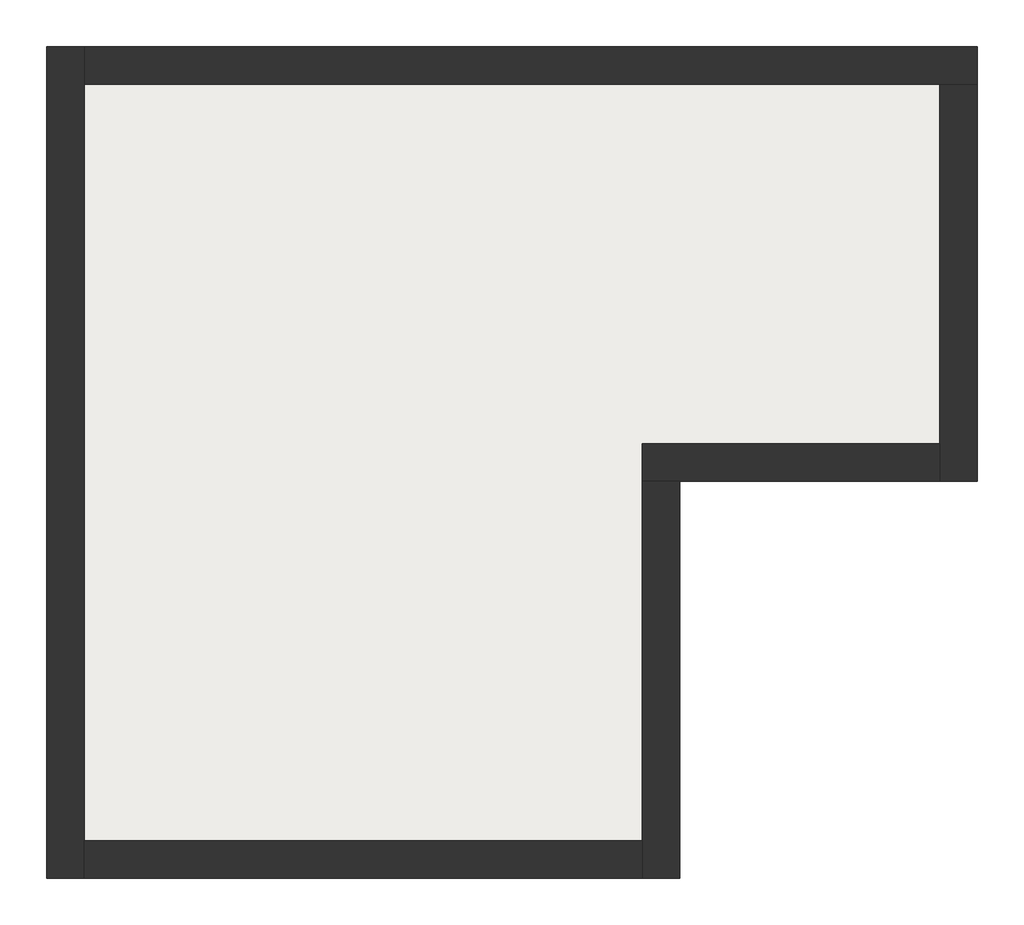
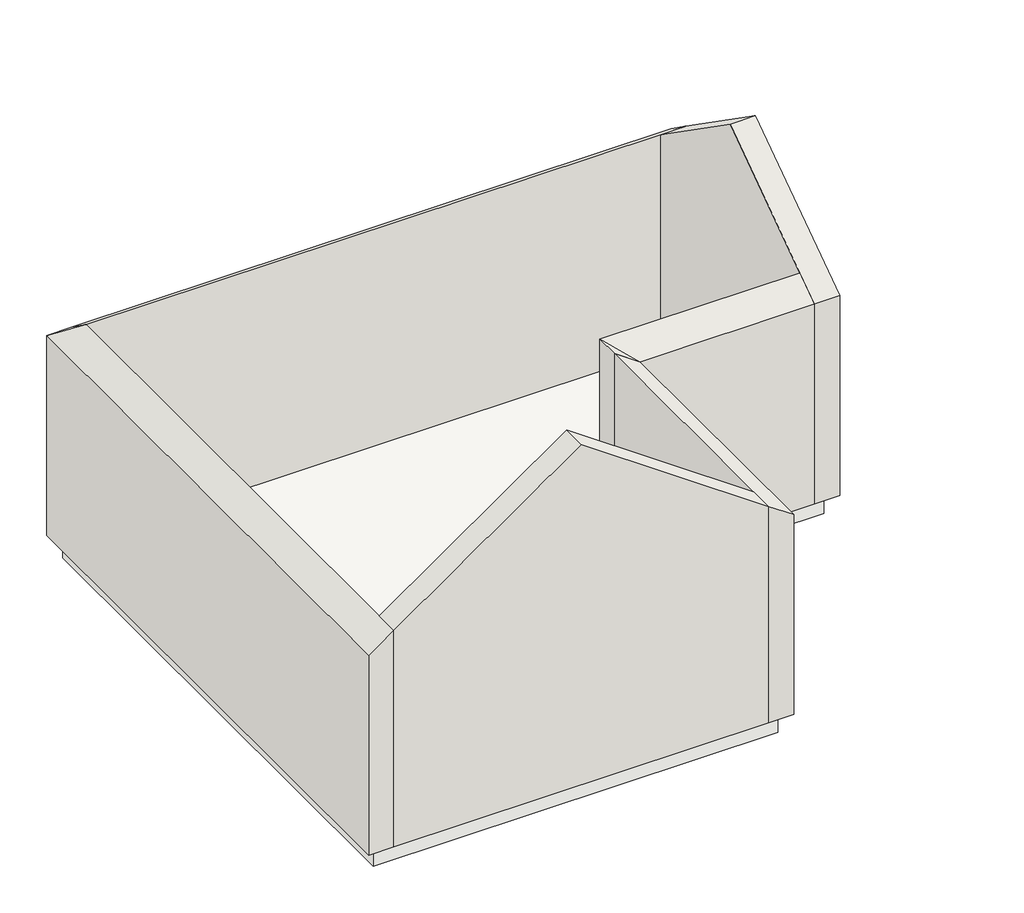
# One storey: 6 walls, 1 slab.
"""IFC4 building model written with IfcOpenShell, lengths in millimetres."""

import ifcopenshell
import ifcopenshell.guid

model = None  # the IFC model being written
_history = None  # IfcOwnerHistory: only IFC2X3 demands one
_inside = {}  # id of a spatial element -> (the spatial element, [elements in it])
_under = {}  # id of a project, library or spatial element -> (it, [spatial elements below it])
_declared = {}  # id of a project -> (the project, [libraries it declares])
_typed = {}  # id of a type object -> (the type object, [elements of that type])
_made_of = {}  # id of a material, layer set ... -> (it, [elements and type objects made of it])


def new_model(schema):
    """Start an empty IFC model of exactly this schema.

    Asked for "IFC4X3", IfcOpenShell would pick the latest addendum, in which some entities
    have other attributes; the version numbers below select the first issue.
    IFC2X3 requires an IfcOwnerHistory on every rooted entity: one is made here for all.
    """
    global model, _history
    if schema == "IFC4X3":
        model = ifcopenshell.file(schema_version=(4, 3, 0, 0))
    else:
        model = ifcopenshell.file(schema=schema)
    _inside.clear()
    _under.clear()
    _declared.clear()
    _typed.clear()
    _made_of.clear()
    _history = None
    if model.schema == "IFC2X3":
        org = make("IfcOrganization", Name="unknown")
        user = make(
            "IfcPersonAndOrganization",
            ThePerson=make("IfcPerson", FamilyName="unknown"),
            TheOrganization=org,
        )
        app = make(
            "IfcApplication",
            ApplicationDeveloper=org,
            Version="unknown",
            ApplicationFullName="unknown",
            ApplicationIdentifier="unknown",
        )
        _history = make(
            "IfcOwnerHistory",
            OwningUser=user,
            OwningApplication=app,
            ChangeAction="ADDED",
            CreationDate=0,
        )
    return model


def make(cls, **values):
    """One entity of the class cls with the attributes given. An attribute that is None is left unset."""
    return model.create_entity(
        cls, **{name: value for name, value in values.items() if value is not None}
    )


def rooted(cls, **values):
    """An entity with a GlobalId (a new one), such as an element, a storey or a relation."""
    return make(cls, GlobalId=ifcopenshell.guid.new(), OwnerHistory=_history, **values)


def si_unit(unit_type, name, prefix=None):
    """IfcSIUnit, for example si_unit("LENGTHUNIT", "METRE", prefix="MILLI")."""
    return make("IfcSIUnit", UnitType=unit_type, Prefix=prefix, Name=name)


def assignment(units):
    """IfcUnitAssignment: the units of a project."""
    return None if units is None else make("IfcUnitAssignment", Units=units)


def point(xyz):
    """IfcCartesianPoint."""
    return None if xyz is None else make("IfcCartesianPoint", Coordinates=xyz)


def direction(xyz):
    """IfcDirection."""
    return None if xyz is None else make("IfcDirection", DirectionRatios=xyz)


def frame(location, z_axis=None, x_axis=None):
    """IfcAxis2Placement3D, a coordinate frame: its origin and axes. An axis left out is left unset."""
    return make(
        "IfcAxis2Placement3D",
        Location=point(location),
        Axis=direction(z_axis),
        RefDirection=direction(x_axis),
    )


def origin():
    """The frame at (0, 0, 0) with its axes left unset."""
    return frame((0.0, 0.0, 0.0))


def place(relative_to, where):
    """IfcLocalPlacement: puts the frame where relative to a parent placement (None: the world)."""
    return make(
        "IfcLocalPlacement", PlacementRelTo=relative_to, RelativePlacement=where
    )


def context(
    kind, dimensions, precision=None, world=None, true_north=None, identifier=None
):
    """IfcGeometricRepresentationContext, for example the 3D "Model" context."""
    return make(
        "IfcGeometricRepresentationContext",
        ContextIdentifier=identifier,
        ContextType=kind,
        CoordinateSpaceDimension=dimensions,
        Precision=precision,
        WorldCoordinateSystem=world,
        TrueNorth=true_north,
    )


def project(units=None, contexts=None):
    """IfcProject with its units and contexts."""
    return rooted(
        "IfcProject",
        Name="project",
        RepresentationContexts=contexts,
        UnitsInContext=assignment(units),
    )


def spatial(cls, under=None, at=None, **own):
    """A site, building, storey or space (cls), placed at a placement, below another one or the project."""
    s = rooted(cls, ObjectPlacement=at, **own)
    if under is not None:
        _under.setdefault(under.id(), (under, []))[1].append(s)
    return s


def polyline(points):
    """IfcPolyline through the points."""
    return make("IfcPolyline", Points=[point(p) for p in points])


def outline(outer, holes=None, kind="AREA"):
    """IfcArbitraryClosedProfileDef: a profile drawn as a closed curve; with holes, ...WithVoids."""
    if holes is None:
        return make("IfcArbitraryClosedProfileDef", ProfileType=kind, OuterCurve=outer)
    return make(
        "IfcArbitraryProfileDefWithVoids",
        ProfileType=kind,
        OuterCurve=outer,
        InnerCurves=holes,
    )


def extrude(swept, where, along, depth):
    """IfcExtrudedAreaSolid: the profile swept, set in the frame where, extruded along a direction by depth."""
    return make(
        "IfcExtrudedAreaSolid",
        SweptArea=swept,
        Position=where,
        ExtrudedDirection=direction(along),
        Depth=depth,
    )


def faces_of(points, faces, orient=None, outer=None):
    """IfcFace entities. A face is a list of loops; a loop is a list of indices into points, from 0.

    orient and outer hold one flag for each loop. By default every Orientation is true, the
    first loop of a face is its IfcFaceOuterBound and the others are IfcFaceBound.
    """
    made = []
    for i, loops in enumerate(faces):
        bounds = []
        for j, loop in enumerate(loops):
            is_outer = j == 0 if outer is None else outer[i][j]
            bounds.append(
                make(
                    "IfcFaceOuterBound" if is_outer else "IfcFaceBound",
                    Bound=make("IfcPolyLoop", Polygon=[points[k] for k in loop]),
                    Orientation=True if orient is None else orient[i][j],
                )
            )
        made.append(make("IfcFace", Bounds=bounds))
    return made


def faceted_brep(points, faces, orient=None, outer=None, voids=None):
    """IfcFacetedBrep: a solid bounded by flat faces; with voids (closed shells), ...WithVoids."""
    shared = [point(p) for p in points]
    hull = make("IfcClosedShell", CfsFaces=faces_of(shared, faces, orient, outer))
    if voids is None:
        return make("IfcFacetedBrep", Outer=hull)
    return make(
        "IfcFacetedBrepWithVoids",
        Outer=hull,
        Voids=[
            make(cls, CfsFaces=faces_of(shared, fs, o, b)) for cls, fs, o, b in voids
        ],
    )


def shape(context_of_items, identifier, shape_type, items):
    """IfcShapeRepresentation: the items that make up one representation, for example the "Body"."""
    return make(
        "IfcShapeRepresentation",
        ContextOfItems=context_of_items,
        RepresentationIdentifier=identifier,
        RepresentationType=shape_type,
        Items=items,
    )


def made_of(thing, what):
    """Note that an element or type object is made of a material, layer set ...; save() writes the relation."""
    if what is not None:
        _made_of.setdefault(what.id(), (what, []))[1].append(thing)
    return thing


def element(
    cls,
    number,
    at=None,
    inside=None,
    cuts=None,
    type_object=None,
    material=None,
    context=None,
    identifier="Body",
    shape_type=None,
    held_by="IfcProductDefinitionShape",
    body=None,
    shapes=None,
    **own,
):
    """One element of the class cls, such as IfcWall. Its Tag is "e" and its number.

    at: its placement. inside: the storey or other place that contains it. cuts: it is an
    opening in that element (IfcRelVoidsElement). A single representation is given by context,
    identifier, shape_type and body (its items); several are given by shapes. held_by: the class
    of the entity that holds the representations. save() writes the other relations.
    """
    e = rooted(cls, Tag="e%d" % number, ObjectPlacement=at, **own)
    if body is not None:
        shapes = [shape(context, identifier, shape_type, body)]
    if shapes is not None:
        e.Representation = make(held_by, Representations=shapes)
    if inside is not None:
        _inside.setdefault(inside.id(), (inside, []))[1].append(e)
    if cuts is not None:
        rooted(
            "IfcRelVoidsElement", RelatingBuildingElement=cuts, RelatedOpeningElement=e
        )
    if type_object is not None:
        _typed.setdefault(type_object.id(), (type_object, []))[1].append(e)
    return made_of(e, material)


def aggregate(whole, parts):
    """IfcRelAggregates: a whole, such as a stair, and the parts it consists of."""
    return rooted("IfcRelAggregates", RelatingObject=whole, RelatedObjects=parts)


def save(model, path):
    """Write the relations noted so far, then the file.

    IfcRelAggregates (storeys below a building ...), IfcRelContainedInSpatialStructure (elements
    in a storey), IfcRelDefinesByType, IfcRelAssociatesMaterial and IfcRelDeclares: one each for
    every whole, place, type object, material and project.
    """
    for whole, parts in _under.values():
        aggregate(whole, parts)
    for where, things in _inside.values():
        rooted(
            "IfcRelContainedInSpatialStructure",
            RelatedElements=things,
            RelatingStructure=where,
        )
    for kind, things in _typed.values():
        rooted("IfcRelDefinesByType", RelatedObjects=things, RelatingType=kind)
    for what, things in _made_of.values():
        rooted("IfcRelAssociatesMaterial", RelatedObjects=things, RelatingMaterial=what)
    for by, libraries in _declared.values():
        rooted("IfcRelDeclares", RelatingContext=by, RelatedDefinitions=libraries)
    model.write(path)


model = new_model("IFC4")

# Units and contexts
model_context = context("Model", 3, world=origin())
ifc_project = project(units=[si_unit("LENGTHUNIT", "METRE", prefix="MILLI")], contexts=[model_context])

# Site, building, storey
site = spatial("IfcSite", under=ifc_project)
building = spatial("IfcBuilding", under=site)
storey = spatial("IfcBuildingStorey", under=building, Elevation=3000.0)

# Slab
placement = place(None, origin())
element("IfcSlab", 1, at=placement, inside=storey, context=model_context, shape_type="SweptSolid", body=[
    extrude(outline(polyline([(-9940.620157, 7390.9977365), (-865.620157, 7390.9977365), (-865.620157, 3315.9977365), (-3865.620157, 3315.9977365), (-3865.620157, -684.0022635), (-9940.620157, -684.0022635), (-9940.620157, 7390.9977365)])), frame((0.0, 0.0, 2680.0), z_axis=(0.0, 0.0, 1.0), x_axis=(1.0, 0.0, 0.0)), (0.0, 0.0, 1.0), 320.0),
])

# Walls
element("IfcWall", 2, at=placement, inside=storey, context=model_context, shape_type="Brep", body=[
    faceted_brep([(-9713.620157, -836.0022635, 3000.0), (-9713.620157, -457.0022635, 3000.0), (-9713.620157, 7163.9977365, 3000.0), (-9713.620157, 7542.9977365, 3000.0), (-9713.620157, 7542.9977365, 6175.0518846), (-9713.620157, 7163.9977365, 6440.4305415), (-9713.620157, -457.0022635, 6440.4305415), (-9713.620157, -836.0022635, 6440.4305415), (-10092.620157, -836.0022635, 3000.0), (-10092.620157, -836.0022635, 6175.0518846), (-10092.620157, 7542.9977365, 6175.0518846), (-10092.620157, 7542.9977365, 3000.0)], [[[0, 1, 2, 3, 4, 5, 6, 7]], [[8, 9, 10, 11]], [[3, 2, 1, 0, 8, 11]], [[4, 3, 11, 10]], [[0, 7, 9, 8]], [[7, 6, 5, 10, 9]], [[5, 4, 10]]]),
])
element("IfcWall", 3, at=placement, inside=storey, context=model_context, shape_type="Brep", body=[
    faceted_brep([(-9713.620157, 7163.9977365, 3000.0), (-1092.620157, 7163.9977365, 3000.0), (-713.620157, 7163.9977365, 3000.0), (-713.620157, 7163.9977365, 6440.4305415), (-1092.620157, 7163.9977365, 6440.4305415), (-9713.620157, 7163.9977365, 6440.4305415), (-9713.620157, 7542.9977365, 3000.0), (-9713.620157, 7542.9977365, 6175.0518846), (-713.620157, 7542.9977365, 6175.0518846), (-713.620157, 7542.9977365, 3000.0)], [[[0, 1, 2, 3, 4, 5]], [[6, 7, 8, 9]], [[2, 1, 0, 6, 9]], [[0, 5, 7, 6]], [[3, 2, 9, 8]], [[5, 4, 3, 8, 7]]]),
])
element("IfcWall", 4, at=placement, inside=storey, context=model_context, shape_type="Brep", body=[
    faceted_brep([(-1092.620157, 7163.9977365, 3000.0), (-1092.620157, 3542.9977365, 3000.0), (-1092.620157, 3163.9977365, 3000.0), (-1092.620157, 3163.9977365, 6175.0518846), (-1092.620157, 3542.9977365, 6440.4305415), (-1092.620157, 5353.4977365, 7708.1562895), (-1092.620157, 7163.9977365, 6440.4305415), (-713.620157, 7163.9977365, 3000.0), (-713.620157, 7163.9977365, 6440.4305415), (-713.620157, 5353.4977365, 7708.1562895), (-713.620157, 3163.9977365, 6175.0518846), (-713.620157, 3163.9977365, 3000.0)], [[[0, 1, 2, 3, 4, 5, 6]], [[7, 8, 9, 10, 11]], [[2, 1, 0, 7, 11]], [[0, 6, 8, 7]], [[3, 2, 11, 10]], [[6, 5, 9, 8]], [[5, 4, 3, 10, 9]]]),
])
element("IfcWall", 5, at=placement, inside=storey, context=model_context, shape_type="Brep", body=[
    faceted_brep([(-1092.620157, 3542.9977365, 3000.0), (-4092.620157, 3542.9977365, 3000.0), (-4092.620157, 3542.9977365, 6440.4305415), (-1092.620157, 3542.9977365, 6440.4305415), (-1092.620157, 3163.9977365, 3000.0), (-1092.620157, 3163.9977365, 6175.0518846), (-3713.620157, 3163.9977365, 6175.0518846), (-4092.620157, 3163.9977365, 6440.4305415), (-4092.620157, 3163.9977365, 3000.0), (-3713.620157, 3163.9977365, 3000.0)], [[[0, 1, 2, 3]], [[4, 5, 6, 7, 8, 9]], [[1, 0, 4, 9, 8]], [[0, 3, 5, 4]], [[2, 1, 8, 7]], [[3, 2, 6, 5]], [[2, 7, 6]]]),
])
element("IfcWall", 6, at=placement, inside=storey, context=model_context, shape_type="Brep", body=[
    faceted_brep([(-4092.620157, 3163.9977365, 3000.0), (-4092.620157, -457.0022635, 3000.0), (-4092.620157, -836.0022635, 3000.0), (-4092.620157, -836.0022635, 6440.4305415), (-4092.620157, -457.0022635, 6440.4305415), (-4092.620157, 3163.9977365, 6440.4305415), (-3713.620157, 3163.9977365, 3000.0), (-3713.620157, 3163.9977365, 6175.0518846), (-3713.620157, -836.0022635, 6175.0518846), (-3713.620157, -836.0022635, 3000.0)], [[[0, 1, 2, 3, 4, 5]], [[6, 7, 8, 9]], [[2, 1, 0, 6, 9]], [[0, 5, 7, 6]], [[3, 2, 9, 8]], [[5, 4, 3, 8, 7]]]),
])
element("IfcWall", 7, at=placement, inside=storey, context=model_context, shape_type="SweptSolid", body=[
    extrude(outline(polyline([(3000.0, -4092.620157), (6440.4305415, -4092.620157), (8408.3638277, -6903.120157), (6440.4305415, -9713.620157), (3000.0, -9713.620157), (3000.0, -4092.620157)])), frame((0.0, -836.0022635, 0.0), z_axis=(0.0, 1.0, 0.0), x_axis=(0.0, 0.0, 1.0)), (0.0, 0.0, 1.0), 379.0),
])

save(model, "model.ifc")
